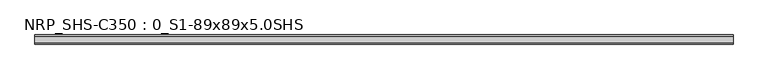
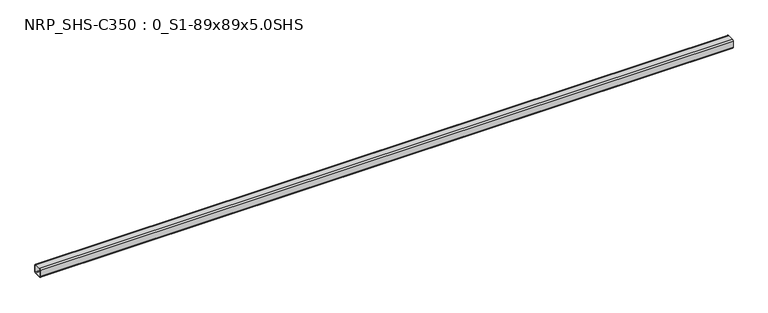
"""IFC4 building model written with IfcOpenShell, lengths in millimetres: beam geometry, NRP_SHS-C350 : 0_S1-89x89x5.0SHS."""

from ifc_helpers import new_model, si_unit, point, frame, frame_2d, origin, place, context, project, spatial, polyline, circle_curve, trimmed, segment, composite_curve, outline, extrude, source, transform, mapped, element, save


def nrp_shs_c350_0_s1_89x89x5_0shs_813576cd(model_context):
    return source(origin(), model_context, "Body", "SweptSolid", [
        extrude(outline(composite_curve([segment(polyline([(44.5, 32.0), (44.5, -32.0)]), True, "CONTINUOUS"), segment(trimmed(circle_curve(frame_2d((32.0, -32.0)), 12.5), [point((44.5, -32.0))], [point((32.0, -44.5))], False, "CARTESIAN"), True, "CONTINUOUS"), segment(polyline([(32.0, -44.5), (-32.0, -44.5)]), True, "CONTINUOUS"), segment(trimmed(circle_curve(frame_2d((-32.0, -32.0)), 12.5), [point((-32.0, -44.5))], [point((-44.5, -32.0))], False, "CARTESIAN"), True, "CONTINUOUS"), segment(polyline([(-44.5, -32.0), (-44.5, 32.0)]), True, "CONTINUOUS"), segment(trimmed(circle_curve(frame_2d((-32.0, 32.0)), 12.5), [point((-44.5, 32.0))], [point((-32.0, 44.5))], False, "CARTESIAN"), True, "CONTINUOUS"), segment(polyline([(-32.0, 44.5), (32.0, 44.5)]), True, "CONTINUOUS"), segment(trimmed(circle_curve(frame_2d((32.0, 32.0)), 12.5), [point((32.0, 44.5))], [point((44.5, 32.0))], False, "CARTESIAN"), True, "CONTINUOUS")], self_intersect=False), holes=[composite_curve([segment(trimmed(circle_curve(frame_2d((-32.0, 32.0)), 7.5), [point((-32.0, 39.5))], [point((-39.5, 32.0))], True, "CARTESIAN"), True, "CONTINUOUS"), segment(polyline([(-39.5, 32.0), (-39.5, -32.0)]), True, "CONTINUOUS"), segment(trimmed(circle_curve(frame_2d((-32.0, -32.0)), 7.5), [point((-39.5, -32.0))], [point((-32.0, -39.5))], True, "CARTESIAN"), True, "CONTINUOUS"), segment(polyline([(-32.0, -39.5), (32.0, -39.5)]), True, "CONTINUOUS"), segment(trimmed(circle_curve(frame_2d((32.0, -32.0)), 7.5), [point((32.0, -39.5))], [point((39.5, -32.0))], True, "CARTESIAN"), True, "CONTINUOUS"), segment(polyline([(39.5, -32.0), (39.5, 32.0)]), True, "CONTINUOUS"), segment(trimmed(circle_curve(frame_2d((32.0, 32.0)), 7.5), [point((39.5, 32.0))], [point((32.0, 39.5))], True, "CARTESIAN"), True, "CONTINUOUS"), segment(polyline([(32.0, 39.5), (-32.0, 39.5)]), True, "CONTINUOUS")], self_intersect=False)]), frame((-3370.5, 0.0, 0.0), z_axis=(1.0, 0.0, 0.0), x_axis=(0.0, 1.0, 0.0)), (0.0, 0.0, 1.0), 6799.0),
    ])


if __name__ == "__main__":
    model = new_model("IFC4")
    model_context = context("Model", 3, world=origin())
    ifc_project = project(units=[si_unit("LENGTHUNIT", "METRE", prefix="MILLI")], contexts=[model_context])
    site = spatial("IfcSite", under=ifc_project)
    building = spatial("IfcBuilding", under=site)
    placement = place(None, origin())
    nrp_shs_c350_0_s1_89x89x5_0shs_shape = nrp_shs_c350_0_s1_89x89x5_0shs_813576cd(model_context)
    element("IfcBeam", 1, ObjectType="NRP_SHS-C350 : 0_S1-89x89x5.0SHS", at=placement, inside=building, context=model_context, shape_type="MappedRepresentation", body=[
        mapped(nrp_shs_c350_0_s1_89x89x5_0shs_shape, transform((0.0, 0.0, 0.0), x_axis=(1.0, 0.0, 0.0), y_axis=(0.0, 1.0, 0.0), z_axis=(0.0, 0.0, 1.0))),
    ])
    save(model, "model.ifc")
